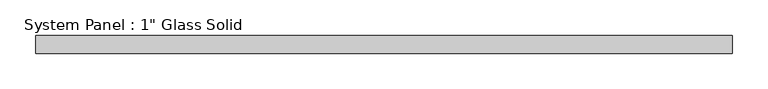
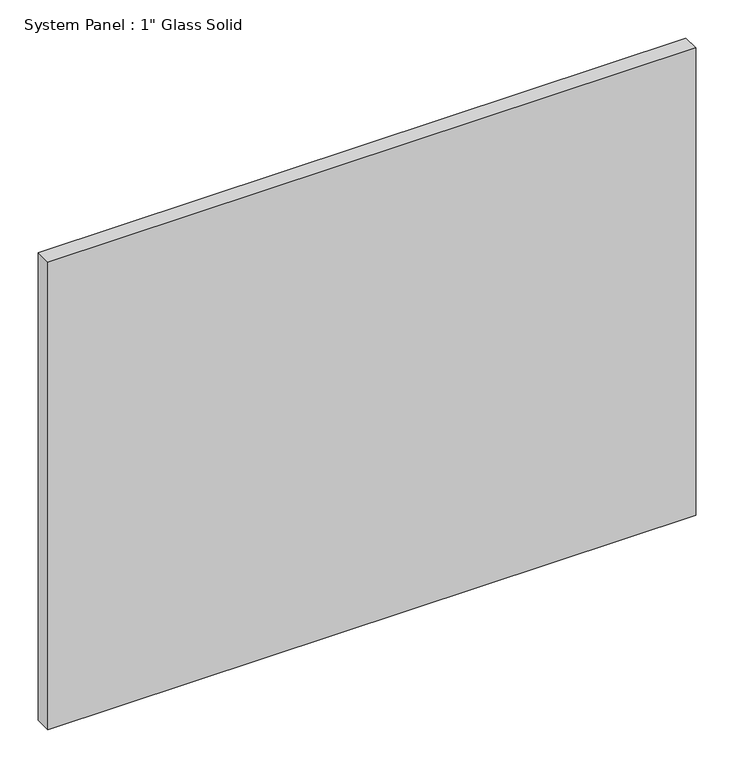
"""IFC4 building model written with IfcOpenShell, lengths in millimetres: plate geometry."""

from ifc_helpers import new_model, si_unit, origin, origin_with_axes, place, context, project, spatial, polyline, outline, extrude, source, transform, mapped, element, save


def plate_11c1f311(model_context):
    return source(origin(), model_context, "Body", "SweptSolid", [
        extrude(outline(polyline([(490.5375, -12.7), (-490.5375, -12.7), (-490.5375, 12.7), (490.5375, 12.7), (490.5375, -12.7)])), origin_with_axes(), (0.0, 0.0, 1.0), 748.7596948),
    ])


if __name__ == "__main__":
    model = new_model("IFC4")
    model_context = context("Model", 3, world=origin())
    ifc_project = project(units=[si_unit("LENGTHUNIT", "METRE", prefix="MILLI")], contexts=[model_context])
    site = spatial("IfcSite", under=ifc_project)
    building = spatial("IfcBuilding", under=site)
    placement = place(None, origin())
    plate_shape = plate_11c1f311(model_context)
    element("IfcPlate", 1, ObjectType="System Panel : 1\" Glass Solid", at=placement, inside=building, context=model_context, shape_type="MappedRepresentation", body=[
        mapped(plate_shape, transform((0.0, 0.0, 0.0), x_axis=(1.0, 0.0, 0.0), y_axis=(0.0, 1.0, 0.0), z_axis=(0.0, 0.0, 1.0))),
    ])
    save(model, "model.ifc")
